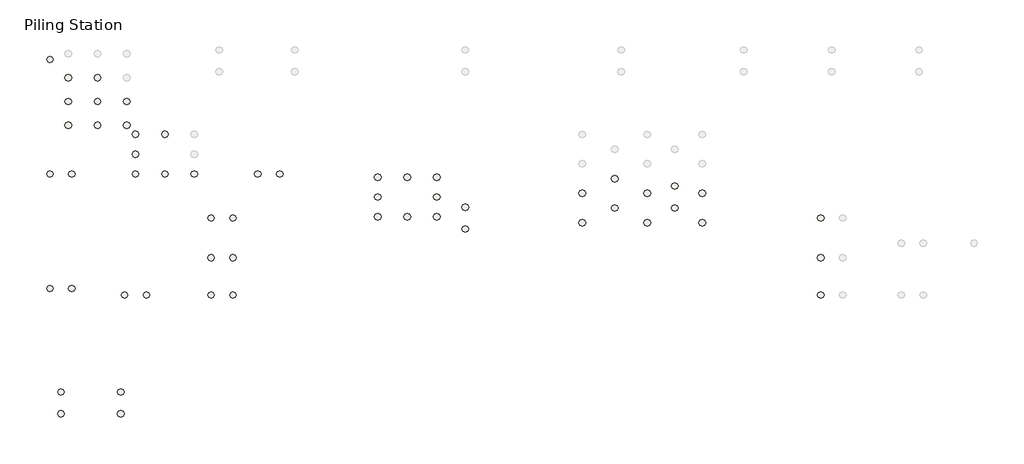
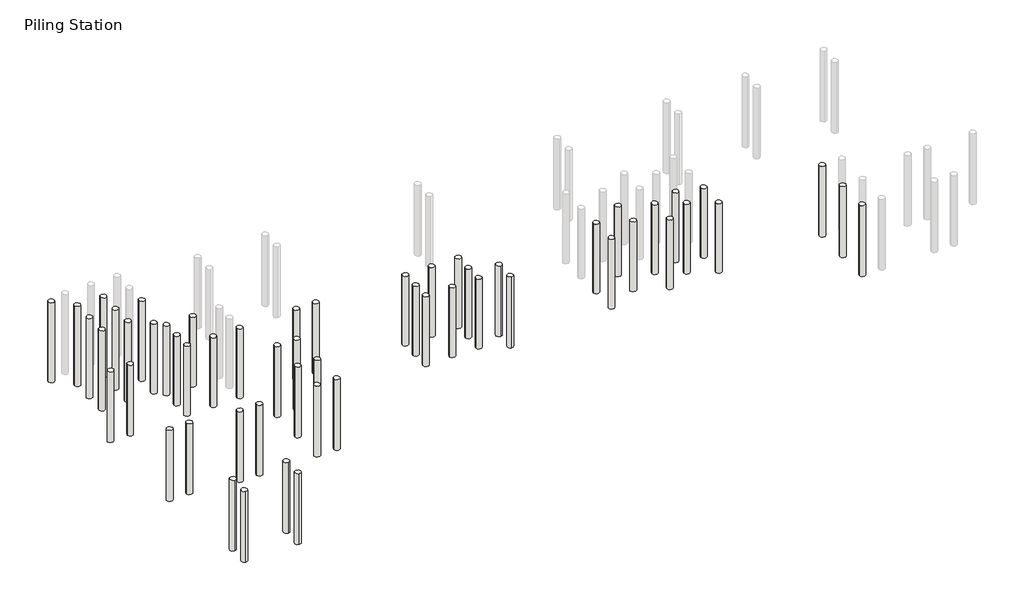
# One storey, part 1 of 4: 56 slabs.
"""IFC4 building model written with IfcOpenShell, lengths in millimetres."""

import ifcopenshell
import ifcopenshell.guid

model = None  # the IFC model being written
_history = None  # IfcOwnerHistory: only IFC2X3 demands one
_inside = {}  # id of a spatial element -> (the spatial element, [elements in it])
_under = {}  # id of a project, library or spatial element -> (it, [spatial elements below it])
_declared = {}  # id of a project -> (the project, [libraries it declares])
_typed = {}  # id of a type object -> (the type object, [elements of that type])
_made_of = {}  # id of a material, layer set ... -> (it, [elements and type objects made of it])


def new_model(schema):
    """Start an empty IFC model of exactly this schema.

    Asked for "IFC4X3", IfcOpenShell would pick the latest addendum, in which some entities
    have other attributes; the version numbers below select the first issue.
    IFC2X3 requires an IfcOwnerHistory on every rooted entity: one is made here for all.
    """
    global model, _history
    if schema == "IFC4X3":
        model = ifcopenshell.file(schema_version=(4, 3, 0, 0))
    else:
        model = ifcopenshell.file(schema=schema)
    _inside.clear()
    _under.clear()
    _declared.clear()
    _typed.clear()
    _made_of.clear()
    _history = None
    if model.schema == "IFC2X3":
        org = make("IfcOrganization", Name="unknown")
        user = make(
            "IfcPersonAndOrganization",
            ThePerson=make("IfcPerson", FamilyName="unknown"),
            TheOrganization=org,
        )
        app = make(
            "IfcApplication",
            ApplicationDeveloper=org,
            Version="unknown",
            ApplicationFullName="unknown",
            ApplicationIdentifier="unknown",
        )
        _history = make(
            "IfcOwnerHistory",
            OwningUser=user,
            OwningApplication=app,
            ChangeAction="ADDED",
            CreationDate=0,
        )
    return model


def make(cls, **values):
    """One entity of the class cls with the attributes given. An attribute that is None is left unset."""
    return model.create_entity(
        cls, **{name: value for name, value in values.items() if value is not None}
    )


def rooted(cls, **values):
    """An entity with a GlobalId (a new one), such as an element, a storey or a relation."""
    return make(cls, GlobalId=ifcopenshell.guid.new(), OwnerHistory=_history, **values)


def si_unit(unit_type, name, prefix=None):
    """IfcSIUnit, for example si_unit("LENGTHUNIT", "METRE", prefix="MILLI")."""
    return make("IfcSIUnit", UnitType=unit_type, Prefix=prefix, Name=name)


def assignment(units):
    """IfcUnitAssignment: the units of a project."""
    return None if units is None else make("IfcUnitAssignment", Units=units)


def point(xyz):
    """IfcCartesianPoint."""
    return None if xyz is None else make("IfcCartesianPoint", Coordinates=xyz)


def direction(xyz):
    """IfcDirection."""
    return None if xyz is None else make("IfcDirection", DirectionRatios=xyz)


def frame(location, z_axis=None, x_axis=None):
    """IfcAxis2Placement3D, a coordinate frame: its origin and axes. An axis left out is left unset."""
    return make(
        "IfcAxis2Placement3D",
        Location=point(location),
        Axis=direction(z_axis),
        RefDirection=direction(x_axis),
    )


def frame_2d(location, x_axis=None):
    """IfcAxis2Placement2D, a coordinate frame in the plane: its origin and x axis."""
    return make(
        "IfcAxis2Placement2D", Location=point(location), RefDirection=direction(x_axis)
    )


def origin():
    """The frame at (0, 0, 0) with its axes left unset."""
    return frame((0.0, 0.0, 0.0))


def place(relative_to, where):
    """IfcLocalPlacement: puts the frame where relative to a parent placement (None: the world)."""
    return make(
        "IfcLocalPlacement", PlacementRelTo=relative_to, RelativePlacement=where
    )


def context(
    kind, dimensions, precision=None, world=None, true_north=None, identifier=None
):
    """IfcGeometricRepresentationContext, for example the 3D "Model" context."""
    return make(
        "IfcGeometricRepresentationContext",
        ContextIdentifier=identifier,
        ContextType=kind,
        CoordinateSpaceDimension=dimensions,
        Precision=precision,
        WorldCoordinateSystem=world,
        TrueNorth=true_north,
    )


def project(units=None, contexts=None):
    """IfcProject with its units and contexts."""
    return rooted(
        "IfcProject",
        Name="project",
        RepresentationContexts=contexts,
        UnitsInContext=assignment(units),
    )


def spatial(cls, under=None, at=None, **own):
    """A site, building, storey or space (cls), placed at a placement, below another one or the project."""
    s = rooted(cls, ObjectPlacement=at, **own)
    if under is not None:
        _under.setdefault(under.id(), (under, []))[1].append(s)
    return s


def circle_curve(where, radius):
    """IfcCircle in the frame where."""
    return make("IfcCircle", Position=where, Radius=radius)


def trimmed(basis, trim1, trim2, sense, master):
    """IfcTrimmedCurve: the piece of a basis curve between two trims."""
    return make(
        "IfcTrimmedCurve",
        BasisCurve=basis,
        Trim1=trim1,
        Trim2=trim2,
        SenseAgreement=sense,
        MasterRepresentation=master,
    )


def segment(curve, same_sense, transition):
    """IfcCompositeCurveSegment."""
    return make(
        "IfcCompositeCurveSegment",
        Transition=transition,
        SameSense=same_sense,
        ParentCurve=curve,
    )


def composite_curve(segments, self_intersect=None):
    """IfcCompositeCurve: segments joined end to end."""
    return make("IfcCompositeCurve", Segments=segments, SelfIntersect=self_intersect)


def outline(outer, holes=None, kind="AREA"):
    """IfcArbitraryClosedProfileDef: a profile drawn as a closed curve; with holes, ...WithVoids."""
    if holes is None:
        return make("IfcArbitraryClosedProfileDef", ProfileType=kind, OuterCurve=outer)
    return make(
        "IfcArbitraryProfileDefWithVoids",
        ProfileType=kind,
        OuterCurve=outer,
        InnerCurves=holes,
    )


def extrude(swept, where, along, depth):
    """IfcExtrudedAreaSolid: the profile swept, set in the frame where, extruded along a direction by depth."""
    return make(
        "IfcExtrudedAreaSolid",
        SweptArea=swept,
        Position=where,
        ExtrudedDirection=direction(along),
        Depth=depth,
    )


def shape(context_of_items, identifier, shape_type, items):
    """IfcShapeRepresentation: the items that make up one representation, for example the "Body"."""
    return make(
        "IfcShapeRepresentation",
        ContextOfItems=context_of_items,
        RepresentationIdentifier=identifier,
        RepresentationType=shape_type,
        Items=items,
    )


def made_of(thing, what):
    """Note that an element or type object is made of a material, layer set ...; save() writes the relation."""
    if what is not None:
        _made_of.setdefault(what.id(), (what, []))[1].append(thing)
    return thing


def element(
    cls,
    number,
    at=None,
    inside=None,
    cuts=None,
    type_object=None,
    material=None,
    context=None,
    identifier="Body",
    shape_type=None,
    held_by="IfcProductDefinitionShape",
    body=None,
    shapes=None,
    **own,
):
    """One element of the class cls, such as IfcWall. Its Tag is "e" and its number.

    at: its placement. inside: the storey or other place that contains it. cuts: it is an
    opening in that element (IfcRelVoidsElement). A single representation is given by context,
    identifier, shape_type and body (its items); several are given by shapes. held_by: the class
    of the entity that holds the representations. save() writes the other relations.
    """
    e = rooted(cls, Tag="e%d" % number, ObjectPlacement=at, **own)
    if body is not None:
        shapes = [shape(context, identifier, shape_type, body)]
    if shapes is not None:
        e.Representation = make(held_by, Representations=shapes)
    if inside is not None:
        _inside.setdefault(inside.id(), (inside, []))[1].append(e)
    if cuts is not None:
        rooted(
            "IfcRelVoidsElement", RelatingBuildingElement=cuts, RelatedOpeningElement=e
        )
    if type_object is not None:
        _typed.setdefault(type_object.id(), (type_object, []))[1].append(e)
    return made_of(e, material)


def aggregate(whole, parts):
    """IfcRelAggregates: a whole, such as a stair, and the parts it consists of."""
    return rooted("IfcRelAggregates", RelatingObject=whole, RelatedObjects=parts)


def save(model, path):
    """Write the relations noted so far, then the file.

    IfcRelAggregates (storeys below a building ...), IfcRelContainedInSpatialStructure (elements
    in a storey), IfcRelDefinesByType, IfcRelAssociatesMaterial and IfcRelDeclares: one each for
    every whole, place, type object, material and project.
    """
    for whole, parts in _under.values():
        aggregate(whole, parts)
    for where, things in _inside.values():
        rooted(
            "IfcRelContainedInSpatialStructure",
            RelatedElements=things,
            RelatingStructure=where,
        )
    for kind, things in _typed.values():
        rooted("IfcRelDefinesByType", RelatedObjects=things, RelatingType=kind)
    for what, things in _made_of.values():
        rooted("IfcRelAssociatesMaterial", RelatedObjects=things, RelatingMaterial=what)
    for by, libraries in _declared.values():
        rooted("IfcRelDeclares", RelatingContext=by, RelatedDefinitions=libraries)
    model.write(path)


model = new_model("IFC4")

# Units and contexts
model_context = context("Model", 3, world=origin())
ifc_project = project(units=[si_unit("LENGTHUNIT", "METRE", prefix="MILLI")], contexts=[model_context])

# Site, building, storey
site = spatial("IfcSite", under=ifc_project)
building = spatial("IfcBuilding", under=site)
storey = spatial("IfcBuildingStorey", under=building, Name="Piling Station", Elevation=-2100.0)

# Slabs
placement = place(None, origin())
element("IfcSlab", 1, ObjectType="Pile-Round with Symbol", at=placement, inside=storey, context=model_context, shape_type="SweptSolid", body=[
    extrude(outline(composite_curve([segment(trimmed(circle_curve(frame_2d((-60297.5229628, -16245.558232)), 125.0), [point((-60422.5229628, -16245.558232))], [point((-60172.5229628, -16245.558232))], False, "CARTESIAN"), True, "CONTINUOUS"), segment(trimmed(circle_curve(frame_2d((-60297.5229628, -16245.558232)), 125.0), [point((-60172.5229628, -16245.558232))], [point((-60422.5229628, -16245.558232))], False, "CARTESIAN"), True, "CONTINUOUS")], self_intersect=False)), frame((0.0, 0.0, -5100.0), z_axis=(0.0, 0.0, 1.0), x_axis=(1.0, 0.0, 0.0)), (0.0, 0.0, 1.0), 3050.0),
])
element("IfcSlab", 2, ObjectType="Pile-Round with Symbol", at=placement, inside=storey, context=model_context, shape_type="SweptSolid", body=[
    extrude(outline(composite_curve([segment(trimmed(circle_curve(frame_2d((-59497.5229628, -16245.558232)), 125.0), [point((-59372.5229628, -16245.558232))], [point((-59622.5229628, -16245.558232))], False, "CARTESIAN"), True, "CONTINUOUS"), segment(trimmed(circle_curve(frame_2d((-59497.5229628, -16245.558232)), 125.0), [point((-59622.5229628, -16245.558232))], [point((-59372.5229628, -16245.558232))], False, "CARTESIAN"), True, "CONTINUOUS")], self_intersect=False)), frame((0.0, 0.0, -5100.0), z_axis=(0.0, 0.0, 1.0), x_axis=(1.0, 0.0, 0.0)), (0.0, 0.0, 1.0), 3050.0),
])
element("IfcSlab", 3, ObjectType="Pile-Round with Symbol", at=placement, inside=storey, context=model_context, shape_type="SweptSolid", body=[
    extrude(outline(composite_curve([segment(trimmed(circle_curve(frame_2d((-60297.5229628, -20421.3915653)), 125.0), [point((-60422.5229628, -20421.3915653))], [point((-60172.5229628, -20421.3915653))], False, "CARTESIAN"), True, "CONTINUOUS"), segment(trimmed(circle_curve(frame_2d((-60297.5229628, -20421.3915653)), 125.0), [point((-60172.5229628, -20421.3915653))], [point((-60422.5229628, -20421.3915653))], False, "CARTESIAN"), True, "CONTINUOUS")], self_intersect=False)), frame((0.0, 0.0, -5100.0), z_axis=(0.0, 0.0, 1.0), x_axis=(1.0, 0.0, 0.0)), (0.0, 0.0, 1.0), 3050.0),
])
element("IfcSlab", 4, ObjectType="Pile-Round with Symbol", at=placement, inside=storey, context=model_context, shape_type="SweptSolid", body=[
    extrude(outline(composite_curve([segment(trimmed(circle_curve(frame_2d((-59497.5229628, -20421.3915653)), 125.0), [point((-59372.5229628, -20421.3915653))], [point((-59622.5229628, -20421.3915653))], False, "CARTESIAN"), True, "CONTINUOUS"), segment(trimmed(circle_curve(frame_2d((-59497.5229628, -20421.3915653)), 125.0), [point((-59622.5229628, -20421.3915653))], [point((-59372.5229628, -20421.3915653))], False, "CARTESIAN"), True, "CONTINUOUS")], self_intersect=False)), frame((0.0, 0.0, -5100.0), z_axis=(0.0, 0.0, 1.0), x_axis=(1.0, 0.0, 0.0)), (0.0, 0.0, 1.0), 3050.0),
])
element("IfcSlab", 5, ObjectType="Pile-Round with Symbol", at=placement, inside=storey, context=model_context, shape_type="SweptSolid", body=[
    extrude(outline(composite_curve([segment(trimmed(circle_curve(frame_2d((-57577.5749186, -20659.7180835)), 125.0), [point((-57702.5749186, -20659.7180835))], [point((-57452.5749186, -20659.7180835))], False, "CARTESIAN"), True, "CONTINUOUS"), segment(trimmed(circle_curve(frame_2d((-57577.5749186, -20659.7180835)), 125.0), [point((-57452.5749186, -20659.7180835))], [point((-57702.5749186, -20659.7180835))], False, "CARTESIAN"), True, "CONTINUOUS")], self_intersect=False)), frame((0.0, 0.0, -5100.0), z_axis=(0.0, 0.0, 1.0), x_axis=(1.0, 0.0, 0.0)), (0.0, 0.0, 1.0), 3050.0),
])
element("IfcSlab", 6, ObjectType="Pile-Round with Symbol", at=placement, inside=storey, context=model_context, shape_type="SweptSolid", body=[
    extrude(outline(composite_curve([segment(trimmed(circle_curve(frame_2d((-56777.5749186, -20659.7180835)), 125.0), [point((-56652.5749186, -20659.7180835))], [point((-56902.5749186, -20659.7180835))], False, "CARTESIAN"), True, "CONTINUOUS"), segment(trimmed(circle_curve(frame_2d((-56777.5749186, -20659.7180835)), 125.0), [point((-56902.5749186, -20659.7180835))], [point((-56652.5749186, -20659.7180835))], False, "CARTESIAN"), True, "CONTINUOUS")], self_intersect=False)), frame((0.0, 0.0, -5100.0), z_axis=(0.0, 0.0, 1.0), x_axis=(1.0, 0.0, 0.0)), (0.0, 0.0, 1.0), 3050.0),
])
element("IfcSlab", 7, ObjectType="Pile-Round with Symbol", at=placement, inside=storey, context=model_context, shape_type="SweptSolid", body=[
    extrude(outline(composite_curve([segment(trimmed(circle_curve(frame_2d((-54420.0749186, -20659.7180835)), 125.0), [point((-54545.0749186, -20659.7180835))], [point((-54295.0749186, -20659.7180835))], False, "CARTESIAN"), True, "CONTINUOUS"), segment(trimmed(circle_curve(frame_2d((-54420.0749186, -20659.7180835)), 125.0), [point((-54295.0749186, -20659.7180835))], [point((-54545.0749186, -20659.7180835))], False, "CARTESIAN"), True, "CONTINUOUS")], self_intersect=False)), frame((0.0, 0.0, -5100.0), z_axis=(0.0, 0.0, 1.0), x_axis=(1.0, 0.0, 0.0)), (0.0, 0.0, 1.0), 3050.0),
])
element("IfcSlab", 8, ObjectType="Pile-Round with Symbol", at=placement, inside=storey, context=model_context, shape_type="SweptSolid", body=[
    extrude(outline(composite_curve([segment(trimmed(circle_curve(frame_2d((-53620.0749186, -20659.7180835)), 125.0), [point((-53495.0749186, -20659.7180835))], [point((-53745.0749186, -20659.7180835))], False, "CARTESIAN"), True, "CONTINUOUS"), segment(trimmed(circle_curve(frame_2d((-53620.0749186, -20659.7180835)), 125.0), [point((-53745.0749186, -20659.7180835))], [point((-53495.0749186, -20659.7180835))], False, "CARTESIAN"), True, "CONTINUOUS")], self_intersect=False)), frame((0.0, 0.0, -5100.0), z_axis=(0.0, 0.0, 1.0), x_axis=(1.0, 0.0, 0.0)), (0.0, 0.0, 1.0), 3050.0),
])
element("IfcSlab", 9, ObjectType="Pile-Round with Symbol", at=placement, inside=storey, context=model_context, shape_type="SweptSolid", body=[
    extrude(outline(composite_curve([segment(trimmed(circle_curve(frame_2d((-60297.5229628, -12069.7248986)), 125.0), [point((-60422.5229628, -12069.7248986))], [point((-60172.5229628, -12069.7248986))], False, "CARTESIAN"), True, "CONTINUOUS"), segment(trimmed(circle_curve(frame_2d((-60297.5229628, -12069.7248986)), 125.0), [point((-60172.5229628, -12069.7248986))], [point((-60422.5229628, -12069.7248986))], False, "CARTESIAN"), True, "CONTINUOUS")], self_intersect=False)), frame((0.0, 0.0, -5050.0), z_axis=(0.0, 0.0, 1.0), x_axis=(1.0, 0.0, 0.0)), (0.0, 0.0, 1.0), 3450.0),
])
element("IfcSlab", 10, ObjectType="Pile-Round with Symbol", at=placement, inside=storey, context=model_context, shape_type="SweptSolid", body=[
    extrude(outline(composite_curve([segment(trimmed(circle_curve(frame_2d((-59897.5229628, -24197.2248986)), 125.0), [point((-59897.5229628, -24072.2248986))], [point((-59897.5229628, -24322.2248986))], False, "CARTESIAN"), True, "CONTINUOUS"), segment(trimmed(circle_curve(frame_2d((-59897.5229628, -24197.2248986)), 125.0), [point((-59897.5229628, -24322.2248986))], [point((-59897.5229628, -24072.2248986))], False, "CARTESIAN"), True, "CONTINUOUS")], self_intersect=False)), frame((0.0, 0.0, -5100.0), z_axis=(0.0, 0.0, 1.0), x_axis=(1.0, 0.0, 0.0)), (0.0, 0.0, 1.0), 3050.0),
])
element("IfcSlab", 11, ObjectType="Pile-Round with Symbol", at=placement, inside=storey, context=model_context, shape_type="SweptSolid", body=[
    extrude(outline(composite_curve([segment(trimmed(circle_curve(frame_2d((-59897.5229628, -24997.2248986)), 125.0), [point((-59897.5229628, -25122.2248986))], [point((-59897.5229628, -24872.2248986))], False, "CARTESIAN"), True, "CONTINUOUS"), segment(trimmed(circle_curve(frame_2d((-59897.5229628, -24997.2248986)), 125.0), [point((-59897.5229628, -24872.2248986))], [point((-59897.5229628, -25122.2248986))], False, "CARTESIAN"), True, "CONTINUOUS")], self_intersect=False)), frame((0.0, 0.0, -5100.0), z_axis=(0.0, 0.0, 1.0), x_axis=(1.0, 0.0, 0.0)), (0.0, 0.0, 1.0), 3050.0),
])
element("IfcSlab", 12, ObjectType="Pile-Round with Symbol", at=placement, inside=storey, context=model_context, shape_type="SweptSolid", body=[
    extrude(outline(composite_curve([segment(trimmed(circle_curve(frame_2d((-57712.5749186, -24197.2248986)), 125.0), [point((-57712.5749186, -24072.2248986))], [point((-57712.5749186, -24322.2248986))], False, "CARTESIAN"), True, "CONTINUOUS"), segment(trimmed(circle_curve(frame_2d((-57712.5749186, -24197.2248986)), 125.0), [point((-57712.5749186, -24322.2248986))], [point((-57712.5749186, -24072.2248986))], False, "CARTESIAN"), True, "CONTINUOUS")], self_intersect=False)), frame((0.0, 0.0, -5100.0), z_axis=(0.0, 0.0, 1.0), x_axis=(1.0, 0.0, 0.0)), (0.0, 0.0, 1.0), 3050.0),
])
element("IfcSlab", 13, ObjectType="Pile-Round with Symbol", at=placement, inside=storey, context=model_context, shape_type="SweptSolid", body=[
    extrude(outline(composite_curve([segment(trimmed(circle_curve(frame_2d((-57712.5749186, -24997.2248986)), 125.0), [point((-57712.5749186, -25122.2248986))], [point((-57712.5749186, -24872.2248986))], False, "CARTESIAN"), True, "CONTINUOUS"), segment(trimmed(circle_curve(frame_2d((-57712.5749186, -24997.2248986)), 125.0), [point((-57712.5749186, -24872.2248986))], [point((-57712.5749186, -25122.2248986))], False, "CARTESIAN"), True, "CONTINUOUS")], self_intersect=False)), frame((0.0, 0.0, -5100.0), z_axis=(0.0, 0.0, 1.0), x_axis=(1.0, 0.0, 0.0)), (0.0, 0.0, 1.0), 3050.0),
])
element("IfcSlab", 14, ObjectType="Pile-Round with Symbol", at=placement, inside=storey, context=model_context, shape_type="SweptSolid", body=[
    extrude(outline(composite_curve([segment(trimmed(circle_curve(frame_2d((-59625.0749186, -14469.7248986)), 125.0), [point((-59500.0749186, -14469.7248986))], [point((-59750.0749186, -14469.7248986))], False, "CARTESIAN"), True, "CONTINUOUS"), segment(trimmed(circle_curve(frame_2d((-59625.0749186, -14469.7248986)), 125.0), [point((-59750.0749186, -14469.7248986))], [point((-59500.0749186, -14469.7248986))], False, "CARTESIAN"), True, "CONTINUOUS")], self_intersect=False)), frame((0.0, 0.0, -5050.0), z_axis=(0.0, 0.0, 1.0), x_axis=(1.0, 0.0, 0.0)), (0.0, 0.0, 1.0), 3450.0),
])
element("IfcSlab", 15, ObjectType="Pile-Round with Symbol", at=placement, inside=storey, context=model_context, shape_type="SweptSolid", body=[
    extrude(outline(composite_curve([segment(trimmed(circle_curve(frame_2d((-58562.5749186, -14469.7248986)), 125.0), [point((-58437.5749186, -14469.7248986))], [point((-58687.5749186, -14469.7248986))], False, "CARTESIAN"), True, "CONTINUOUS"), segment(trimmed(circle_curve(frame_2d((-58562.5749186, -14469.7248986)), 125.0), [point((-58687.5749186, -14469.7248986))], [point((-58437.5749186, -14469.7248986))], False, "CARTESIAN"), True, "CONTINUOUS")], self_intersect=False)), frame((0.0, 0.0, -5050.0), z_axis=(0.0, 0.0, 1.0), x_axis=(1.0, 0.0, 0.0)), (0.0, 0.0, 1.0), 3450.0),
])
element("IfcSlab", 16, ObjectType="Pile-Round with Symbol", at=placement, inside=storey, context=model_context, shape_type="SweptSolid", body=[
    extrude(outline(composite_curve([segment(trimmed(circle_curve(frame_2d((-59625.0749186, -12731.3915653)), 125.0), [point((-59500.0749186, -12731.3915653))], [point((-59750.0749186, -12731.3915653))], False, "CARTESIAN"), True, "CONTINUOUS"), segment(trimmed(circle_curve(frame_2d((-59625.0749186, -12731.3915653)), 125.0), [point((-59750.0749186, -12731.3915653))], [point((-59500.0749186, -12731.3915653))], False, "CARTESIAN"), True, "CONTINUOUS")], self_intersect=False)), frame((0.0, 0.0, -5050.0), z_axis=(0.0, 0.0, 1.0), x_axis=(1.0, 0.0, 0.0)), (0.0, 0.0, 1.0), 3450.0),
])
element("IfcSlab", 17, ObjectType="Pile-Round with Symbol", at=placement, inside=storey, context=model_context, shape_type="SweptSolid", body=[
    extrude(outline(composite_curve([segment(trimmed(circle_curve(frame_2d((-58562.5749186, -12731.3915653)), 125.0), [point((-58437.5749186, -12731.3915653))], [point((-58687.5749186, -12731.3915653))], False, "CARTESIAN"), True, "CONTINUOUS"), segment(trimmed(circle_curve(frame_2d((-58562.5749186, -12731.3915653)), 125.0), [point((-58687.5749186, -12731.3915653))], [point((-58437.5749186, -12731.3915653))], False, "CARTESIAN"), True, "CONTINUOUS")], self_intersect=False)), frame((0.0, 0.0, -5050.0), z_axis=(0.0, 0.0, 1.0), x_axis=(1.0, 0.0, 0.0)), (0.0, 0.0, 1.0), 3450.0),
])
element("IfcSlab", 18, ObjectType="Pile-Round with Symbol", at=placement, inside=storey, context=model_context, shape_type="SweptSolid", body=[
    extrude(outline(composite_curve([segment(trimmed(circle_curve(frame_2d((-59625.0749186, -13600.558232)), 125.0), [point((-59500.0749186, -13600.558232))], [point((-59750.0749186, -13600.558232))], False, "CARTESIAN"), True, "CONTINUOUS"), segment(trimmed(circle_curve(frame_2d((-59625.0749186, -13600.558232)), 125.0), [point((-59750.0749186, -13600.558232))], [point((-59500.0749186, -13600.558232))], False, "CARTESIAN"), True, "CONTINUOUS")], self_intersect=False)), frame((0.0, 0.0, -5050.0), z_axis=(0.0, 0.0, 1.0), x_axis=(1.0, 0.0, 0.0)), (0.0, 0.0, 1.0), 3450.0),
])
element("IfcSlab", 19, ObjectType="Pile-Round with Symbol", at=placement, inside=storey, context=model_context, shape_type="SweptSolid", body=[
    extrude(outline(composite_curve([segment(trimmed(circle_curve(frame_2d((-57500.0749186, -13600.558232)), 125.0), [point((-57625.0749186, -13600.558232))], [point((-57375.0749186, -13600.558232))], False, "CARTESIAN"), True, "CONTINUOUS"), segment(trimmed(circle_curve(frame_2d((-57500.0749186, -13600.558232)), 125.0), [point((-57375.0749186, -13600.558232))], [point((-57625.0749186, -13600.558232))], False, "CARTESIAN"), True, "CONTINUOUS")], self_intersect=False)), frame((0.0, 0.0, -5050.0), z_axis=(0.0, 0.0, 1.0), x_axis=(1.0, 0.0, 0.0)), (0.0, 0.0, 1.0), 3450.0),
])
element("IfcSlab", 20, ObjectType="Pile-Round with Symbol", at=placement, inside=storey, context=model_context, shape_type="SweptSolid", body=[
    extrude(outline(composite_curve([segment(trimmed(circle_curve(frame_2d((-58562.5749186, -13600.558232)), 125.0), [point((-58437.5749186, -13600.558232))], [point((-58687.5749186, -13600.558232))], False, "CARTESIAN"), True, "CONTINUOUS"), segment(trimmed(circle_curve(frame_2d((-58562.5749186, -13600.558232)), 125.0), [point((-58687.5749186, -13600.558232))], [point((-58437.5749186, -13600.558232))], False, "CARTESIAN"), True, "CONTINUOUS")], self_intersect=False)), frame((0.0, 0.0, -5050.0), z_axis=(0.0, 0.0, 1.0), x_axis=(1.0, 0.0, 0.0)), (0.0, 0.0, 1.0), 3450.0),
])
element("IfcSlab", 21, ObjectType="Pile-Round with Symbol", at=placement, inside=storey, context=model_context, shape_type="SweptSolid", body=[
    extrude(outline(composite_curve([segment(trimmed(circle_curve(frame_2d((-56102.5749186, -14795.558232)), 125.0), [point((-56227.5749186, -14795.558232))], [point((-55977.5749186, -14795.558232))], False, "CARTESIAN"), True, "CONTINUOUS"), segment(trimmed(circle_curve(frame_2d((-56102.5749186, -14795.558232)), 125.0), [point((-55977.5749186, -14795.558232))], [point((-56227.5749186, -14795.558232))], False, "CARTESIAN"), True, "CONTINUOUS")], self_intersect=False)), frame((0.0, 0.0, -5050.0), z_axis=(0.0, 0.0, 1.0), x_axis=(1.0, 0.0, 0.0)), (0.0, 0.0, 1.0), 3000.0),
])
element("IfcSlab", 22, ObjectType="Pile-Round with Symbol", at=placement, inside=storey, context=model_context, shape_type="SweptSolid", body=[
    extrude(outline(composite_curve([segment(trimmed(circle_curve(frame_2d((-55027.5749186, -16245.558232)), 125.0), [point((-55152.5749186, -16245.558232))], [point((-54902.5749186, -16245.558232))], False, "CARTESIAN"), True, "CONTINUOUS"), segment(trimmed(circle_curve(frame_2d((-55027.5749186, -16245.558232)), 125.0), [point((-54902.5749186, -16245.558232))], [point((-55152.5749186, -16245.558232))], False, "CARTESIAN"), True, "CONTINUOUS")], self_intersect=False)), frame((0.0, 0.0, -5050.0), z_axis=(0.0, 0.0, 1.0), x_axis=(1.0, 0.0, 0.0)), (0.0, 0.0, 1.0), 3000.0),
])
element("IfcSlab", 23, ObjectType="Pile-Round with Symbol", at=placement, inside=storey, context=model_context, shape_type="SweptSolid", body=[
    extrude(outline(composite_curve([segment(trimmed(circle_curve(frame_2d((-56102.5749186, -16245.558232)), 125.0), [point((-56227.5749186, -16245.558232))], [point((-55977.5749186, -16245.558232))], False, "CARTESIAN"), True, "CONTINUOUS"), segment(trimmed(circle_curve(frame_2d((-56102.5749186, -16245.558232)), 125.0), [point((-55977.5749186, -16245.558232))], [point((-56227.5749186, -16245.558232))], False, "CARTESIAN"), True, "CONTINUOUS")], self_intersect=False)), frame((0.0, 0.0, -5050.0), z_axis=(0.0, 0.0, 1.0), x_axis=(1.0, 0.0, 0.0)), (0.0, 0.0, 1.0), 3000.0),
])
element("IfcSlab", 24, ObjectType="Pile-Round with Symbol", at=placement, inside=storey, context=model_context, shape_type="SweptSolid", body=[
    extrude(outline(composite_curve([segment(trimmed(circle_curve(frame_2d((-57177.5749186, -16245.558232)), 125.0), [point((-57302.5749186, -16245.558232))], [point((-57052.5749186, -16245.558232))], False, "CARTESIAN"), True, "CONTINUOUS"), segment(trimmed(circle_curve(frame_2d((-57177.5749186, -16245.558232)), 125.0), [point((-57052.5749186, -16245.558232))], [point((-57302.5749186, -16245.558232))], False, "CARTESIAN"), True, "CONTINUOUS")], self_intersect=False)), frame((0.0, 0.0, -5050.0), z_axis=(0.0, 0.0, 1.0), x_axis=(1.0, 0.0, 0.0)), (0.0, 0.0, 1.0), 3000.0),
])
element("IfcSlab", 25, ObjectType="Pile-Round with Symbol", at=placement, inside=storey, context=model_context, shape_type="SweptSolid", body=[
    extrude(outline(composite_curve([segment(trimmed(circle_curve(frame_2d((-57177.5749186, -14795.558232)), 125.0), [point((-57302.5749186, -14795.558232))], [point((-57052.5749186, -14795.558232))], False, "CARTESIAN"), True, "CONTINUOUS"), segment(trimmed(circle_curve(frame_2d((-57177.5749186, -14795.558232)), 125.0), [point((-57052.5749186, -14795.558232))], [point((-57302.5749186, -14795.558232))], False, "CARTESIAN"), True, "CONTINUOUS")], self_intersect=False)), frame((0.0, 0.0, -5050.0), z_axis=(0.0, 0.0, 1.0), x_axis=(1.0, 0.0, 0.0)), (0.0, 0.0, 1.0), 3000.0),
])
element("IfcSlab", 26, ObjectType="Pile-Round with Symbol", at=placement, inside=storey, context=model_context, shape_type="SweptSolid", body=[
    extrude(outline(composite_curve([segment(trimmed(circle_curve(frame_2d((-57177.5749186, -15520.558232)), 125.0), [point((-57302.5749186, -15520.558232))], [point((-57052.5749186, -15520.558232))], False, "CARTESIAN"), True, "CONTINUOUS"), segment(trimmed(circle_curve(frame_2d((-57177.5749186, -15520.558232)), 125.0), [point((-57052.5749186, -15520.558232))], [point((-57302.5749186, -15520.558232))], False, "CARTESIAN"), True, "CONTINUOUS")], self_intersect=False)), frame((0.0, 0.0, -5050.0), z_axis=(0.0, 0.0, 1.0), x_axis=(1.0, 0.0, 0.0)), (0.0, 0.0, 1.0), 3000.0),
])
element("IfcSlab", 27, ObjectType="Pile-Round with Symbol", at=placement, inside=storey, context=model_context, shape_type="SweptSolid", body=[
    extrude(outline(composite_curve([segment(trimmed(circle_curve(frame_2d((-54420.0749186, -19299.1395763)), 125.0), [point((-54545.0749186, -19299.1395763))], [point((-54295.0749186, -19299.1395763))], False, "CARTESIAN"), True, "CONTINUOUS"), segment(trimmed(circle_curve(frame_2d((-54420.0749186, -19299.1395763)), 125.0), [point((-54295.0749186, -19299.1395763))], [point((-54545.0749186, -19299.1395763))], False, "CARTESIAN"), True, "CONTINUOUS")], self_intersect=False)), frame((0.0, 0.0, -5100.0), z_axis=(0.0, 0.0, 1.0), x_axis=(1.0, 0.0, 0.0)), (0.0, 0.0, 1.0), 3050.0),
])
element("IfcSlab", 28, ObjectType="Pile-Round with Symbol", at=placement, inside=storey, context=model_context, shape_type="SweptSolid", body=[
    extrude(outline(composite_curve([segment(trimmed(circle_curve(frame_2d((-53620.0749186, -19299.1395763)), 125.0), [point((-53495.0749186, -19299.1395763))], [point((-53745.0749186, -19299.1395763))], False, "CARTESIAN"), True, "CONTINUOUS"), segment(trimmed(circle_curve(frame_2d((-53620.0749186, -19299.1395763)), 125.0), [point((-53745.0749186, -19299.1395763))], [point((-53495.0749186, -19299.1395763))], False, "CARTESIAN"), True, "CONTINUOUS")], self_intersect=False)), frame((0.0, 0.0, -5100.0), z_axis=(0.0, 0.0, 1.0), x_axis=(1.0, 0.0, 0.0)), (0.0, 0.0, 1.0), 3050.0),
])
element("IfcSlab", 29, ObjectType="Pile-Round with Symbol", at=placement, inside=storey, context=model_context, shape_type="SweptSolid", body=[
    extrude(outline(composite_curve([segment(trimmed(circle_curve(frame_2d((-54420.0749186, -17852.2248986)), 125.0), [point((-54545.0749186, -17852.2248986))], [point((-54295.0749186, -17852.2248986))], False, "CARTESIAN"), True, "CONTINUOUS"), segment(trimmed(circle_curve(frame_2d((-54420.0749186, -17852.2248986)), 125.0), [point((-54295.0749186, -17852.2248986))], [point((-54545.0749186, -17852.2248986))], False, "CARTESIAN"), True, "CONTINUOUS")], self_intersect=False)), frame((0.0, 0.0, -5100.0), z_axis=(0.0, 0.0, 1.0), x_axis=(1.0, 0.0, 0.0)), (0.0, 0.0, 1.0), 3050.0),
])
element("IfcSlab", 30, ObjectType="Pile-Round with Symbol", at=placement, inside=storey, context=model_context, shape_type="SweptSolid", body=[
    extrude(outline(composite_curve([segment(trimmed(circle_curve(frame_2d((-53620.0749186, -17852.2248986)), 125.0), [point((-53495.0749186, -17852.2248986))], [point((-53745.0749186, -17852.2248986))], False, "CARTESIAN"), True, "CONTINUOUS"), segment(trimmed(circle_curve(frame_2d((-53620.0749186, -17852.2248986)), 125.0), [point((-53745.0749186, -17852.2248986))], [point((-53495.0749186, -17852.2248986))], False, "CARTESIAN"), True, "CONTINUOUS")], self_intersect=False)), frame((0.0, 0.0, -5100.0), z_axis=(0.0, 0.0, 1.0), x_axis=(1.0, 0.0, 0.0)), (0.0, 0.0, 1.0), 3050.0),
])
element("IfcSlab", 31, ObjectType="Pile-Round with Symbol", at=placement, inside=storey, context=model_context, shape_type="SweptSolid", body=[
    extrude(outline(composite_curve([segment(trimmed(circle_curve(frame_2d((-52715.0320216, -16244.1031039)), 125.0), [point((-52840.0320216, -16244.1031039))], [point((-52590.0320216, -16244.1031039))], False, "CARTESIAN"), True, "CONTINUOUS"), segment(trimmed(circle_curve(frame_2d((-52715.0320216, -16244.1031039)), 125.0), [point((-52590.0320216, -16244.1031039))], [point((-52840.0320216, -16244.1031039))], False, "CARTESIAN"), True, "CONTINUOUS")], self_intersect=False)), frame((0.0, 0.0, -5100.0), z_axis=(0.0, 0.0, 1.0), x_axis=(1.0, 0.0, 0.0)), (0.0, 0.0, 1.0), 3050.0),
])
element("IfcSlab", 32, ObjectType="Pile-Round with Symbol", at=placement, inside=storey, context=model_context, shape_type="SweptSolid", body=[
    extrude(outline(composite_curve([segment(trimmed(circle_curve(frame_2d((-51915.0320216, -16244.1031039)), 125.0), [point((-51790.0320216, -16244.1031039))], [point((-52040.0320216, -16244.1031039))], False, "CARTESIAN"), True, "CONTINUOUS"), segment(trimmed(circle_curve(frame_2d((-51915.0320216, -16244.1031039)), 125.0), [point((-52040.0320216, -16244.1031039))], [point((-51790.0320216, -16244.1031039))], False, "CARTESIAN"), True, "CONTINUOUS")], self_intersect=False)), frame((0.0, 0.0, -5100.0), z_axis=(0.0, 0.0, 1.0), x_axis=(1.0, 0.0, 0.0)), (0.0, 0.0, 1.0), 3050.0),
])
element("IfcSlab", 33, ObjectType="Pile-Round with Symbol", at=placement, inside=storey, context=model_context, shape_type="SweptSolid", body=[
    extrude(outline(composite_curve([segment(trimmed(circle_curve(frame_2d((-45147.5749186, -18252.2248986)), 125.0), [point((-45147.5749186, -18377.2248986))], [point((-45147.5749186, -18127.2248986))], False, "CARTESIAN"), True, "CONTINUOUS"), segment(trimmed(circle_curve(frame_2d((-45147.5749186, -18252.2248986)), 125.0), [point((-45147.5749186, -18127.2248986))], [point((-45147.5749186, -18377.2248986))], False, "CARTESIAN"), True, "CONTINUOUS")], self_intersect=False)), frame((0.0, 0.0, -5100.0), z_axis=(0.0, 0.0, 1.0), x_axis=(1.0, 0.0, 0.0)), (0.0, 0.0, 1.0), 3050.0),
])
element("IfcSlab", 34, ObjectType="Pile-Round with Symbol", at=placement, inside=storey, context=model_context, shape_type="SweptSolid", body=[
    extrude(outline(composite_curve([segment(trimmed(circle_curve(frame_2d((-45147.5749186, -17452.2248986)), 125.0), [point((-45147.5749186, -17327.2248986))], [point((-45147.5749186, -17577.2248986))], False, "CARTESIAN"), True, "CONTINUOUS"), segment(trimmed(circle_curve(frame_2d((-45147.5749186, -17452.2248986)), 125.0), [point((-45147.5749186, -17577.2248986))], [point((-45147.5749186, -17327.2248986))], False, "CARTESIAN"), True, "CONTINUOUS")], self_intersect=False)), frame((0.0, 0.0, -5100.0), z_axis=(0.0, 0.0, 1.0), x_axis=(1.0, 0.0, 0.0)), (0.0, 0.0, 1.0), 3050.0),
])
element("IfcSlab", 35, ObjectType="Pile-Round with Symbol", at=placement, inside=storey, context=model_context, shape_type="SweptSolid", body=[
    extrude(outline(composite_curve([segment(trimmed(circle_curve(frame_2d((-32177.5749186, -20659.7180835)), 125.0), [point((-32302.5749186, -20659.7180835))], [point((-32052.5749186, -20659.7180835))], False, "CARTESIAN"), True, "CONTINUOUS"), segment(trimmed(circle_curve(frame_2d((-32177.5749186, -20659.7180835)), 125.0), [point((-32052.5749186, -20659.7180835))], [point((-32302.5749186, -20659.7180835))], False, "CARTESIAN"), True, "CONTINUOUS")], self_intersect=False)), frame((0.0, 0.0, -5100.0), z_axis=(0.0, 0.0, 1.0), x_axis=(1.0, 0.0, 0.0)), (0.0, 0.0, 1.0), 3050.0),
])
element("IfcSlab", 36, ObjectType="Pile-Round with Symbol", at=placement, inside=storey, context=model_context, shape_type="SweptSolid", body=[
    extrude(outline(composite_curve([segment(trimmed(circle_curve(frame_2d((-32177.5749186, -19299.1395763)), 125.0), [point((-32302.5749186, -19299.1395763))], [point((-32052.5749186, -19299.1395763))], False, "CARTESIAN"), True, "CONTINUOUS"), segment(trimmed(circle_curve(frame_2d((-32177.5749186, -19299.1395763)), 125.0), [point((-32052.5749186, -19299.1395763))], [point((-32302.5749186, -19299.1395763))], False, "CARTESIAN"), True, "CONTINUOUS")], self_intersect=False)), frame((0.0, 0.0, -5100.0), z_axis=(0.0, 0.0, 1.0), x_axis=(1.0, 0.0, 0.0)), (0.0, 0.0, 1.0), 3050.0),
])
element("IfcSlab", 37, ObjectType="Pile-Round with Symbol", at=placement, inside=storey, context=model_context, shape_type="SweptSolid", body=[
    extrude(outline(composite_curve([segment(trimmed(circle_curve(frame_2d((-47257.5711521, -16360.8678877)), 125.0), [point((-47382.5711521, -16360.8678877))], [point((-47132.5711521, -16360.8678877))], False, "CARTESIAN"), True, "CONTINUOUS"), segment(trimmed(circle_curve(frame_2d((-47257.5711521, -16360.8678877)), 125.0), [point((-47132.5711521, -16360.8678877))], [point((-47382.5711521, -16360.8678877))], False, "CARTESIAN"), True, "CONTINUOUS")], self_intersect=False)), frame((0.0, 0.0, -5050.0), z_axis=(0.0, 0.0, 1.0), x_axis=(1.0, 0.0, 0.0)), (0.0, 0.0, 1.0), 3000.0),
])
element("IfcSlab", 38, ObjectType="Pile-Round with Symbol", at=placement, inside=storey, context=model_context, shape_type="SweptSolid", body=[
    extrude(outline(composite_curve([segment(trimmed(circle_curve(frame_2d((-46182.5711521, -16360.8678877)), 125.0), [point((-46307.5711521, -16360.8678877))], [point((-46057.5711521, -16360.8678877))], False, "CARTESIAN"), True, "CONTINUOUS"), segment(trimmed(circle_curve(frame_2d((-46182.5711521, -16360.8678877)), 125.0), [point((-46057.5711521, -16360.8678877))], [point((-46307.5711521, -16360.8678877))], False, "CARTESIAN"), True, "CONTINUOUS")], self_intersect=False)), frame((0.0, 0.0, -5050.0), z_axis=(0.0, 0.0, 1.0), x_axis=(1.0, 0.0, 0.0)), (0.0, 0.0, 1.0), 3000.0),
])
element("IfcSlab", 39, ObjectType="Pile-Round with Symbol", at=placement, inside=storey, context=model_context, shape_type="SweptSolid", body=[
    extrude(outline(composite_curve([segment(trimmed(circle_curve(frame_2d((-46182.5711521, -17810.8678877)), 125.0), [point((-46307.5711521, -17810.8678877))], [point((-46057.5711521, -17810.8678877))], False, "CARTESIAN"), True, "CONTINUOUS"), segment(trimmed(circle_curve(frame_2d((-46182.5711521, -17810.8678877)), 125.0), [point((-46057.5711521, -17810.8678877))], [point((-46307.5711521, -17810.8678877))], False, "CARTESIAN"), True, "CONTINUOUS")], self_intersect=False)), frame((0.0, 0.0, -5050.0), z_axis=(0.0, 0.0, 1.0), x_axis=(1.0, 0.0, 0.0)), (0.0, 0.0, 1.0), 3000.0),
])
element("IfcSlab", 40, ObjectType="Pile-Round with Symbol", at=placement, inside=storey, context=model_context, shape_type="SweptSolid", body=[
    extrude(outline(composite_curve([segment(trimmed(circle_curve(frame_2d((-47257.5711521, -17810.8678877)), 125.0), [point((-47382.5711521, -17810.8678877))], [point((-47132.5711521, -17810.8678877))], False, "CARTESIAN"), True, "CONTINUOUS"), segment(trimmed(circle_curve(frame_2d((-47257.5711521, -17810.8678877)), 125.0), [point((-47132.5711521, -17810.8678877))], [point((-47382.5711521, -17810.8678877))], False, "CARTESIAN"), True, "CONTINUOUS")], self_intersect=False)), frame((0.0, 0.0, -5050.0), z_axis=(0.0, 0.0, 1.0), x_axis=(1.0, 0.0, 0.0)), (0.0, 0.0, 1.0), 3000.0),
])
element("IfcSlab", 41, ObjectType="Pile-Round with Symbol", at=placement, inside=storey, context=model_context, shape_type="SweptSolid", body=[
    extrude(outline(composite_curve([segment(trimmed(circle_curve(frame_2d((-48332.5711521, -17810.8678877)), 125.0), [point((-48457.5711521, -17810.8678877))], [point((-48207.5711521, -17810.8678877))], False, "CARTESIAN"), True, "CONTINUOUS"), segment(trimmed(circle_curve(frame_2d((-48332.5711521, -17810.8678877)), 125.0), [point((-48207.5711521, -17810.8678877))], [point((-48457.5711521, -17810.8678877))], False, "CARTESIAN"), True, "CONTINUOUS")], self_intersect=False)), frame((0.0, 0.0, -5050.0), z_axis=(0.0, 0.0, 1.0), x_axis=(1.0, 0.0, 0.0)), (0.0, 0.0, 1.0), 3000.0),
])
element("IfcSlab", 42, ObjectType="Pile-Round with Symbol", at=placement, inside=storey, context=model_context, shape_type="SweptSolid", body=[
    extrude(outline(composite_curve([segment(trimmed(circle_curve(frame_2d((-48332.5711521, -16360.8678877)), 125.0), [point((-48457.5711521, -16360.8678877))], [point((-48207.5711521, -16360.8678877))], False, "CARTESIAN"), True, "CONTINUOUS"), segment(trimmed(circle_curve(frame_2d((-48332.5711521, -16360.8678877)), 125.0), [point((-48207.5711521, -16360.8678877))], [point((-48457.5711521, -16360.8678877))], False, "CARTESIAN"), True, "CONTINUOUS")], self_intersect=False)), frame((0.0, 0.0, -5050.0), z_axis=(0.0, 0.0, 1.0), x_axis=(1.0, 0.0, 0.0)), (0.0, 0.0, 1.0), 3000.0),
])
element("IfcSlab", 43, ObjectType="Pile-Round with Symbol", at=placement, inside=storey, context=model_context, shape_type="SweptSolid", body=[
    extrude(outline(composite_curve([segment(trimmed(circle_curve(frame_2d((-48332.5711521, -17085.8678877)), 125.0), [point((-48457.5711521, -17085.8678877))], [point((-48207.5711521, -17085.8678877))], False, "CARTESIAN"), True, "CONTINUOUS"), segment(trimmed(circle_curve(frame_2d((-48332.5711521, -17085.8678877)), 125.0), [point((-48207.5711521, -17085.8678877))], [point((-48457.5711521, -17085.8678877))], False, "CARTESIAN"), True, "CONTINUOUS")], self_intersect=False)), frame((0.0, 0.0, -5050.0), z_axis=(0.0, 0.0, 1.0), x_axis=(1.0, 0.0, 0.0)), (0.0, 0.0, 1.0), 3000.0),
])
element("IfcSlab", 44, ObjectType="Pile-Round with Symbol", at=placement, inside=storey, context=model_context, shape_type="SweptSolid", body=[
    extrude(outline(composite_curve([segment(trimmed(circle_curve(frame_2d((-46182.5711521, -17085.8678877)), 125.0), [point((-46307.5711521, -17085.8678877))], [point((-46057.5711521, -17085.8678877))], False, "CARTESIAN"), True, "CONTINUOUS"), segment(trimmed(circle_curve(frame_2d((-46182.5711521, -17085.8678877)), 125.0), [point((-46057.5711521, -17085.8678877))], [point((-46307.5711521, -17085.8678877))], False, "CARTESIAN"), True, "CONTINUOUS")], self_intersect=False)), frame((0.0, 0.0, -5050.0), z_axis=(0.0, 0.0, 1.0), x_axis=(1.0, 0.0, 0.0)), (0.0, 0.0, 1.0), 3000.0),
])
element("IfcSlab", 45, ObjectType="Pile-Round with Symbol", at=placement, inside=storey, context=model_context, shape_type="SweptSolid", body=[
    extrude(outline(composite_curve([segment(trimmed(circle_curve(frame_2d((-38500.0711521, -18019.7248986)), 125.0), [point((-38625.0711521, -18019.7248986))], [point((-38375.0711521, -18019.7248986))], False, "CARTESIAN"), True, "CONTINUOUS"), segment(trimmed(circle_curve(frame_2d((-38500.0711521, -18019.7248986)), 125.0), [point((-38375.0711521, -18019.7248986))], [point((-38625.0711521, -18019.7248986))], False, "CARTESIAN"), True, "CONTINUOUS")], self_intersect=False)), frame((0.0, 0.0, -5050.0), z_axis=(0.0, 0.0, 1.0), x_axis=(1.0, 0.0, 0.0)), (0.0, 0.0, 1.0), 3000.0),
])
element("IfcSlab", 46, ObjectType="Pile-Round with Symbol", at=placement, inside=storey, context=model_context, shape_type="SweptSolid", body=[
    extrude(outline(composite_curve([segment(trimmed(circle_curve(frame_2d((-40882.5711521, -18019.7248986)), 125.0), [point((-41007.5711521, -18019.7248986))], [point((-40757.5711521, -18019.7248986))], False, "CARTESIAN"), True, "CONTINUOUS"), segment(trimmed(circle_curve(frame_2d((-40882.5711521, -18019.7248986)), 125.0), [point((-40757.5711521, -18019.7248986))], [point((-41007.5711521, -18019.7248986))], False, "CARTESIAN"), True, "CONTINUOUS")], self_intersect=False)), frame((0.0, 0.0, -5050.0), z_axis=(0.0, 0.0, 1.0), x_axis=(1.0, 0.0, 0.0)), (0.0, 0.0, 1.0), 3000.0),
])
element("IfcSlab", 47, ObjectType="Pile-Round with Symbol", at=placement, inside=storey, context=model_context, shape_type="SweptSolid", body=[
    extrude(outline(composite_curve([segment(trimmed(circle_curve(frame_2d((-36500.0711521, -18019.7248986)), 125.0), [point((-36625.0711521, -18019.7248986))], [point((-36375.0711521, -18019.7248986))], False, "CARTESIAN"), True, "CONTINUOUS"), segment(trimmed(circle_curve(frame_2d((-36500.0711521, -18019.7248986)), 125.0), [point((-36375.0711521, -18019.7248986))], [point((-36625.0711521, -18019.7248986))], False, "CARTESIAN"), True, "CONTINUOUS")], self_intersect=False)), frame((0.0, 0.0, -5050.0), z_axis=(0.0, 0.0, 1.0), x_axis=(1.0, 0.0, 0.0)), (0.0, 0.0, 1.0), 3000.0),
])
element("IfcSlab", 48, ObjectType="Pile-Round with Symbol", at=placement, inside=storey, context=model_context, shape_type="SweptSolid", body=[
    extrude(outline(composite_curve([segment(trimmed(circle_curve(frame_2d((-36500.0711521, -16948.058232)), 125.0), [point((-36625.0711521, -16948.058232))], [point((-36375.0711521, -16948.058232))], False, "CARTESIAN"), True, "CONTINUOUS"), segment(trimmed(circle_curve(frame_2d((-36500.0711521, -16948.058232)), 125.0), [point((-36375.0711521, -16948.058232))], [point((-36625.0711521, -16948.058232))], False, "CARTESIAN"), True, "CONTINUOUS")], self_intersect=False)), frame((0.0, 0.0, -5050.0), z_axis=(0.0, 0.0, 1.0), x_axis=(1.0, 0.0, 0.0)), (0.0, 0.0, 1.0), 3000.0),
])
element("IfcSlab", 49, ObjectType="Pile-Round with Symbol", at=placement, inside=storey, context=model_context, shape_type="SweptSolid", body=[
    extrude(outline(composite_curve([segment(trimmed(circle_curve(frame_2d((-38500.0711521, -16948.058232)), 125.0), [point((-38625.0711521, -16948.058232))], [point((-38375.0711521, -16948.058232))], False, "CARTESIAN"), True, "CONTINUOUS"), segment(trimmed(circle_curve(frame_2d((-38500.0711521, -16948.058232)), 125.0), [point((-38375.0711521, -16948.058232))], [point((-38625.0711521, -16948.058232))], False, "CARTESIAN"), True, "CONTINUOUS")], self_intersect=False)), frame((0.0, 0.0, -5050.0), z_axis=(0.0, 0.0, 1.0), x_axis=(1.0, 0.0, 0.0)), (0.0, 0.0, 1.0), 3000.0),
])
element("IfcSlab", 50, ObjectType="Pile-Round with Symbol", at=placement, inside=storey, context=model_context, shape_type="SweptSolid", body=[
    extrude(outline(composite_curve([segment(trimmed(circle_curve(frame_2d((-40882.5711521, -16948.058232)), 125.0), [point((-41007.5711521, -16948.058232))], [point((-40757.5711521, -16948.058232))], False, "CARTESIAN"), True, "CONTINUOUS"), segment(trimmed(circle_curve(frame_2d((-40882.5711521, -16948.058232)), 125.0), [point((-40757.5711521, -16948.058232))], [point((-41007.5711521, -16948.058232))], False, "CARTESIAN"), True, "CONTINUOUS")], self_intersect=False)), frame((0.0, 0.0, -5050.0), z_axis=(0.0, 0.0, 1.0), x_axis=(1.0, 0.0, 0.0)), (0.0, 0.0, 1.0), 3000.0),
])
element("IfcSlab", 51, ObjectType="Pile-Round with Symbol", at=placement, inside=storey, context=model_context, shape_type="SweptSolid", body=[
    extrude(outline(composite_curve([segment(trimmed(circle_curve(frame_2d((-39691.3211521, -17483.8915653)), 125.0), [point((-39566.3211521, -17483.8915653))], [point((-39816.3211521, -17483.8915653))], False, "CARTESIAN"), True, "CONTINUOUS"), segment(trimmed(circle_curve(frame_2d((-39691.3211521, -17483.8915653)), 125.0), [point((-39816.3211521, -17483.8915653))], [point((-39566.3211521, -17483.8915653))], False, "CARTESIAN"), True, "CONTINUOUS")], self_intersect=False)), frame((0.0, 0.0, -5050.0), z_axis=(0.0, 0.0, 1.0), x_axis=(1.0, 0.0, 0.0)), (0.0, 0.0, 1.0), 3000.0),
])
element("IfcSlab", 52, ObjectType="Pile-Round with Symbol", at=placement, inside=storey, context=model_context, shape_type="SweptSolid", body=[
    extrude(outline(composite_curve([segment(trimmed(circle_curve(frame_2d((-37500.0711521, -17483.8915653)), 125.0), [point((-37375.0711521, -17483.8915653))], [point((-37625.0711521, -17483.8915653))], False, "CARTESIAN"), True, "CONTINUOUS"), segment(trimmed(circle_curve(frame_2d((-37500.0711521, -17483.8915653)), 125.0), [point((-37625.0711521, -17483.8915653))], [point((-37375.0711521, -17483.8915653))], False, "CARTESIAN"), True, "CONTINUOUS")], self_intersect=False)), frame((0.0, 0.0, -5050.0), z_axis=(0.0, 0.0, 1.0), x_axis=(1.0, 0.0, 0.0)), (0.0, 0.0, 1.0), 3000.0),
])
element("IfcSlab", 53, ObjectType="Pile-Round with Symbol", at=placement, inside=storey, context=model_context, shape_type="SweptSolid", body=[
    extrude(outline(composite_curve([segment(trimmed(circle_curve(frame_2d((-39691.3211521, -16412.2248986)), 125.0), [point((-39566.3211521, -16412.2248986))], [point((-39816.3211521, -16412.2248986))], False, "CARTESIAN"), True, "CONTINUOUS"), segment(trimmed(circle_curve(frame_2d((-39691.3211521, -16412.2248986)), 125.0), [point((-39816.3211521, -16412.2248986))], [point((-39566.3211521, -16412.2248986))], False, "CARTESIAN"), True, "CONTINUOUS")], self_intersect=False)), frame((0.0, 0.0, -5050.0), z_axis=(0.0, 0.0, 1.0), x_axis=(1.0, 0.0, 0.0)), (0.0, 0.0, 1.0), 3000.0),
])
element("IfcSlab", 54, ObjectType="Pile-Round with Symbol", at=placement, inside=storey, context=model_context, shape_type="SweptSolid", body=[
    extrude(outline(composite_curve([segment(trimmed(circle_curve(frame_2d((-37500.0711521, -16683.8915653)), 125.0), [point((-37375.0711521, -16683.8915653))], [point((-37625.0711521, -16683.8915653))], False, "CARTESIAN"), True, "CONTINUOUS"), segment(trimmed(circle_curve(frame_2d((-37500.0711521, -16683.8915653)), 125.0), [point((-37625.0711521, -16683.8915653))], [point((-37375.0711521, -16683.8915653))], False, "CARTESIAN"), True, "CONTINUOUS")], self_intersect=False)), frame((0.0, 0.0, -5050.0), z_axis=(0.0, 0.0, 1.0), x_axis=(1.0, 0.0, 0.0)), (0.0, 0.0, 1.0), 3000.0),
])
element("IfcSlab", 55, ObjectType="Pile-Round with Symbol", at=placement, inside=storey, context=model_context, shape_type="SweptSolid", body=[
    extrude(outline(composite_curve([segment(trimmed(circle_curve(frame_2d((-57500.0749186, -14469.7248986)), 125.0), [point((-57625.0749186, -14469.7248986))], [point((-57375.0749186, -14469.7248986))], False, "CARTESIAN"), True, "CONTINUOUS"), segment(trimmed(circle_curve(frame_2d((-57500.0749186, -14469.7248986)), 125.0), [point((-57375.0749186, -14469.7248986))], [point((-57625.0749186, -14469.7248986))], False, "CARTESIAN"), True, "CONTINUOUS")], self_intersect=False)), frame((0.0, 0.0, -5050.0), z_axis=(0.0, 0.0, 1.0), x_axis=(1.0, 0.0, 0.0)), (0.0, 0.0, 1.0), 3000.0),
])
element("IfcSlab", 56, ObjectType="Pile-Round with Symbol", at=placement, inside=storey, context=model_context, shape_type="SweptSolid", body=[
    extrude(outline(composite_curve([segment(trimmed(circle_curve(frame_2d((-32177.5749186, -17852.2248986)), 125.0), [point((-32302.5749186, -17852.2248986))], [point((-32052.5749186, -17852.2248986))], False, "CARTESIAN"), True, "CONTINUOUS"), segment(trimmed(circle_curve(frame_2d((-32177.5749186, -17852.2248986)), 125.0), [point((-32052.5749186, -17852.2248986))], [point((-32302.5749186, -17852.2248986))], False, "CARTESIAN"), True, "CONTINUOUS")], self_intersect=False)), frame((0.0, 0.0, -5100.0), z_axis=(0.0, 0.0, 1.0), x_axis=(1.0, 0.0, 0.0)), (0.0, 0.0, 1.0), 3050.0),
])

save(model, "model.ifc")
